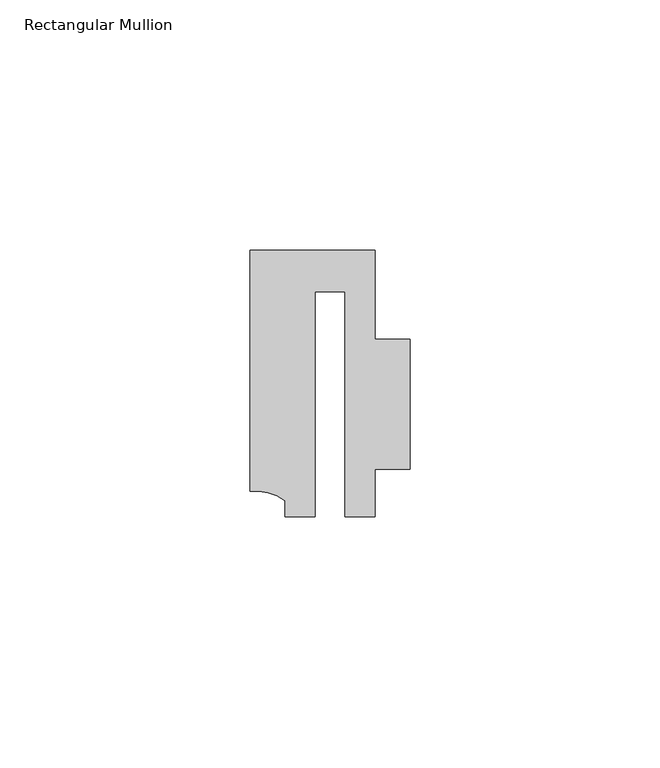
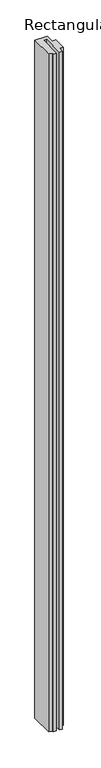
"""IFC4 building model written with IfcOpenShell, lengths in millimetres: member geometry, Rectangular Mullion."""

from ifc_helpers import new_model, si_unit, point, frame, frame_2d, origin, place, context, project, spatial, polyline, circle_curve, trimmed, segment, composite_curve, outline, extrude, source, transform, mapped, element, save


def rectangular_mullion_091636b6(model_context):
    return source(origin(), model_context, "Body", "SweptSolid", [
        extrude(outline(composite_curve([segment(polyline([(-2.9999659, 24.5130805), (-2.9999659, -20.5039877), (-9.0, -20.5039877), (-9.0, -17.3165089)]), True, "CONTINUOUS"), segment(trimmed(circle_curve(frame_2d((-15.1098019, -25.802169)), 10.4563907), [point((-9.0, -17.3165089))], [point((-15.9999391, -15.3837352))], True, "CARTESIAN"), True, "CONTINUOUS"), segment(polyline([(-15.9999391, -15.3837352), (-15.9999391, 32.7960123), (9.0, 32.7960123), (9.0, 14.9953356), (15.9999391, 14.9953356), (15.9999391, -11.0039877), (8.9999842, -11.0039877), (8.9999842, -20.5039877), (2.9999676, -20.5039877), (2.9999676, 24.5130805), (-2.9999659, 24.5130805)]), True, "CONTINUOUS")], self_intersect=False)), frame((0.0, 0.0, -1457.5191127), z_axis=(0.0, 0.0, 1.0), x_axis=(1.0, 0.0, 0.0)), (0.0, 0.0, 1.0), 1457.5191127),
    ])


if __name__ == "__main__":
    model = new_model("IFC4")
    model_context = context("Model", 3, world=origin())
    ifc_project = project(units=[si_unit("LENGTHUNIT", "METRE", prefix="MILLI")], contexts=[model_context])
    site = spatial("IfcSite", under=ifc_project)
    building = spatial("IfcBuilding", under=site)
    placement = place(None, origin())
    rectangular_mullion_shape = rectangular_mullion_091636b6(model_context)
    element("IfcMember", 1, ObjectType="Rectangular Mullion", at=placement, inside=building, context=model_context, shape_type="MappedRepresentation", body=[
        mapped(rectangular_mullion_shape, transform((0.0, 0.0, 0.0), x_axis=(1.0, 0.0, 0.0), y_axis=(0.0, 1.0, 0.0), z_axis=(0.0, 0.0, 1.0))),
    ])
    save(model, "model.ifc")
